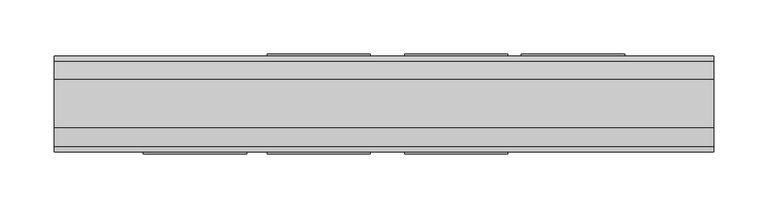
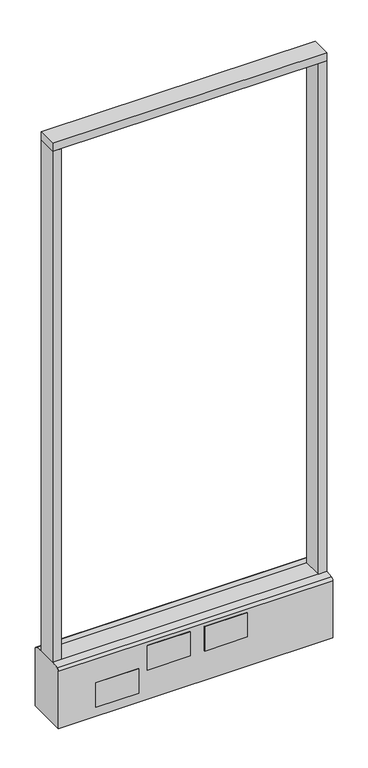
"""IFC4 building model written with IfcOpenShell, lengths in millimetres: furniture geometry."""

import ifcopenshell
import ifcopenshell.guid

model = None  # the IFC model being written
_history = None  # IfcOwnerHistory: only IFC2X3 demands one
_inside = {}  # id of a spatial element -> (the spatial element, [elements in it])
_under = {}  # id of a project, library or spatial element -> (it, [spatial elements below it])
_declared = {}  # id of a project -> (the project, [libraries it declares])
_typed = {}  # id of a type object -> (the type object, [elements of that type])
_made_of = {}  # id of a material, layer set ... -> (it, [elements and type objects made of it])


def new_model(schema):
    """Start an empty IFC model of exactly this schema.

    Asked for "IFC4X3", IfcOpenShell would pick the latest addendum, in which some entities
    have other attributes; the version numbers below select the first issue.
    IFC2X3 requires an IfcOwnerHistory on every rooted entity: one is made here for all.
    """
    global model, _history
    if schema == "IFC4X3":
        model = ifcopenshell.file(schema_version=(4, 3, 0, 0))
    else:
        model = ifcopenshell.file(schema=schema)
    _inside.clear()
    _under.clear()
    _declared.clear()
    _typed.clear()
    _made_of.clear()
    _history = None
    if model.schema == "IFC2X3":
        org = make("IfcOrganization", Name="unknown")
        user = make(
            "IfcPersonAndOrganization",
            ThePerson=make("IfcPerson", FamilyName="unknown"),
            TheOrganization=org,
        )
        app = make(
            "IfcApplication",
            ApplicationDeveloper=org,
            Version="unknown",
            ApplicationFullName="unknown",
            ApplicationIdentifier="unknown",
        )
        _history = make(
            "IfcOwnerHistory",
            OwningUser=user,
            OwningApplication=app,
            ChangeAction="ADDED",
            CreationDate=0,
        )
    return model


def make(cls, **values):
    """One entity of the class cls with the attributes given. An attribute that is None is left unset."""
    return model.create_entity(
        cls, **{name: value for name, value in values.items() if value is not None}
    )


def rooted(cls, **values):
    """An entity with a GlobalId (a new one), such as an element, a storey or a relation."""
    return make(cls, GlobalId=ifcopenshell.guid.new(), OwnerHistory=_history, **values)


def si_unit(unit_type, name, prefix=None):
    """IfcSIUnit, for example si_unit("LENGTHUNIT", "METRE", prefix="MILLI")."""
    return make("IfcSIUnit", UnitType=unit_type, Prefix=prefix, Name=name)


def assignment(units):
    """IfcUnitAssignment: the units of a project."""
    return None if units is None else make("IfcUnitAssignment", Units=units)


def point(xyz):
    """IfcCartesianPoint."""
    return None if xyz is None else make("IfcCartesianPoint", Coordinates=xyz)


def direction(xyz):
    """IfcDirection."""
    return None if xyz is None else make("IfcDirection", DirectionRatios=xyz)


def frame(location, z_axis=None, x_axis=None):
    """IfcAxis2Placement3D, a coordinate frame: its origin and axes. An axis left out is left unset."""
    return make(
        "IfcAxis2Placement3D",
        Location=point(location),
        Axis=direction(z_axis),
        RefDirection=direction(x_axis),
    )


def frame_2d(location, x_axis=None):
    """IfcAxis2Placement2D, a coordinate frame in the plane: its origin and x axis."""
    return make(
        "IfcAxis2Placement2D", Location=point(location), RefDirection=direction(x_axis)
    )


def origin():
    """The frame at (0, 0, 0) with its axes left unset."""
    return frame((0.0, 0.0, 0.0))


def origin_with_axes():
    """The frame at (0, 0, 0) with the z axis (0, 0, 1) and the x axis (1, 0, 0) written out."""
    return frame((0.0, 0.0, 0.0), z_axis=(0.0, 0.0, 1.0), x_axis=(1.0, 0.0, 0.0))


def place(relative_to, where):
    """IfcLocalPlacement: puts the frame where relative to a parent placement (None: the world)."""
    return make(
        "IfcLocalPlacement", PlacementRelTo=relative_to, RelativePlacement=where
    )


def context(
    kind, dimensions, precision=None, world=None, true_north=None, identifier=None
):
    """IfcGeometricRepresentationContext, for example the 3D "Model" context."""
    return make(
        "IfcGeometricRepresentationContext",
        ContextIdentifier=identifier,
        ContextType=kind,
        CoordinateSpaceDimension=dimensions,
        Precision=precision,
        WorldCoordinateSystem=world,
        TrueNorth=true_north,
    )


def project(units=None, contexts=None):
    """IfcProject with its units and contexts."""
    return rooted(
        "IfcProject",
        Name="project",
        RepresentationContexts=contexts,
        UnitsInContext=assignment(units),
    )


def spatial(cls, under=None, at=None, **own):
    """A site, building, storey or space (cls), placed at a placement, below another one or the project."""
    s = rooted(cls, ObjectPlacement=at, **own)
    if under is not None:
        _under.setdefault(under.id(), (under, []))[1].append(s)
    return s


def polyline(points):
    """IfcPolyline through the points."""
    return make("IfcPolyline", Points=[point(p) for p in points])


def circle_curve(where, radius):
    """IfcCircle in the frame where."""
    return make("IfcCircle", Position=where, Radius=radius)


def trimmed(basis, trim1, trim2, sense, master):
    """IfcTrimmedCurve: the piece of a basis curve between two trims."""
    return make(
        "IfcTrimmedCurve",
        BasisCurve=basis,
        Trim1=trim1,
        Trim2=trim2,
        SenseAgreement=sense,
        MasterRepresentation=master,
    )


def segment(curve, same_sense, transition):
    """IfcCompositeCurveSegment."""
    return make(
        "IfcCompositeCurveSegment",
        Transition=transition,
        SameSense=same_sense,
        ParentCurve=curve,
    )


def composite_curve(segments, self_intersect=None):
    """IfcCompositeCurve: segments joined end to end."""
    return make("IfcCompositeCurve", Segments=segments, SelfIntersect=self_intersect)


def outline(outer, holes=None, kind="AREA"):
    """IfcArbitraryClosedProfileDef: a profile drawn as a closed curve; with holes, ...WithVoids."""
    if holes is None:
        return make("IfcArbitraryClosedProfileDef", ProfileType=kind, OuterCurve=outer)
    return make(
        "IfcArbitraryProfileDefWithVoids",
        ProfileType=kind,
        OuterCurve=outer,
        InnerCurves=holes,
    )


def extrude(swept, where, along, depth):
    """IfcExtrudedAreaSolid: the profile swept, set in the frame where, extruded along a direction by depth."""
    return make(
        "IfcExtrudedAreaSolid",
        SweptArea=swept,
        Position=where,
        ExtrudedDirection=direction(along),
        Depth=depth,
    )


def shape(context_of_items, identifier, shape_type, items):
    """IfcShapeRepresentation: the items that make up one representation, for example the "Body"."""
    return make(
        "IfcShapeRepresentation",
        ContextOfItems=context_of_items,
        RepresentationIdentifier=identifier,
        RepresentationType=shape_type,
        Items=items,
    )


def source(mapping_origin, context_of_items, identifier, shape_type, items):
    """IfcRepresentationMap: a shape defined once, which mapped items show again and again."""
    return make(
        "IfcRepresentationMap",
        MappingOrigin=mapping_origin,
        MappedRepresentation=shape(context_of_items, identifier, shape_type, items),
    )


def transform(
    local_origin,
    x_axis=None,
    y_axis=None,
    z_axis=None,
    scale=None,
    scale2=None,
    scale3=None,
    uniform=True,
):
    """IfcCartesianTransformationOperator3D, or its non-uniform kind. x_axis, y_axis, z_axis: its Axis1, 2, 3."""
    if uniform:
        return make(
            "IfcCartesianTransformationOperator3D",
            Axis1=direction(x_axis),
            Axis2=direction(y_axis),
            LocalOrigin=point(local_origin),
            Scale=scale,
            Axis3=direction(z_axis),
        )
    return make(
        "IfcCartesianTransformationOperator3DnonUniform",
        Axis1=direction(x_axis),
        Axis2=direction(y_axis),
        LocalOrigin=point(local_origin),
        Scale=scale,
        Axis3=direction(z_axis),
        Scale2=scale2,
        Scale3=scale3,
    )


def mapped(mapping_source, mapping_target):
    """IfcMappedItem: shows the shape of a source again, moved by a transform."""
    return make(
        "IfcMappedItem", MappingSource=mapping_source, MappingTarget=mapping_target
    )


def made_of(thing, what):
    """Note that an element or type object is made of a material, layer set ...; save() writes the relation."""
    if what is not None:
        _made_of.setdefault(what.id(), (what, []))[1].append(thing)
    return thing


def element(
    cls,
    number,
    at=None,
    inside=None,
    cuts=None,
    type_object=None,
    material=None,
    context=None,
    identifier="Body",
    shape_type=None,
    held_by="IfcProductDefinitionShape",
    body=None,
    shapes=None,
    **own,
):
    """One element of the class cls, such as IfcWall. Its Tag is "e" and its number.

    at: its placement. inside: the storey or other place that contains it. cuts: it is an
    opening in that element (IfcRelVoidsElement). A single representation is given by context,
    identifier, shape_type and body (its items); several are given by shapes. held_by: the class
    of the entity that holds the representations. save() writes the other relations.
    """
    e = rooted(cls, Tag="e%d" % number, ObjectPlacement=at, **own)
    if body is not None:
        shapes = [shape(context, identifier, shape_type, body)]
    if shapes is not None:
        e.Representation = make(held_by, Representations=shapes)
    if inside is not None:
        _inside.setdefault(inside.id(), (inside, []))[1].append(e)
    if cuts is not None:
        rooted(
            "IfcRelVoidsElement", RelatingBuildingElement=cuts, RelatedOpeningElement=e
        )
    if type_object is not None:
        _typed.setdefault(type_object.id(), (type_object, []))[1].append(e)
    return made_of(e, material)


def aggregate(whole, parts):
    """IfcRelAggregates: a whole, such as a stair, and the parts it consists of."""
    return rooted("IfcRelAggregates", RelatingObject=whole, RelatedObjects=parts)


def save(model, path):
    """Write the relations noted so far, then the file.

    IfcRelAggregates (storeys below a building ...), IfcRelContainedInSpatialStructure (elements
    in a storey), IfcRelDefinesByType, IfcRelAssociatesMaterial and IfcRelDeclares: one each for
    every whole, place, type object, material and project.
    """
    for whole, parts in _under.values():
        aggregate(whole, parts)
    for where, things in _inside.values():
        rooted(
            "IfcRelContainedInSpatialStructure",
            RelatedElements=things,
            RelatingStructure=where,
        )
    for kind, things in _typed.values():
        rooted("IfcRelDefinesByType", RelatedObjects=things, RelatingType=kind)
    for what, things in _made_of.values():
        rooted("IfcRelAssociatesMaterial", RelatedObjects=things, RelatingMaterial=what)
    for by, libraries in _declared.values():
        rooted("IfcRelDeclares", RelatingContext=by, RelatedDefinitions=libraries)
    model.write(path)


def furniture_c99d4a0c(model_context):
    return source(origin(), model_context, "Body", "SweptSolid", [
        extrude(outline(polyline([(304.8, -22.225), (-304.8, -22.225), (-304.8, 22.225), (304.8, 22.225), (304.8, -22.225)])), frame((0.0, 0.0, 1352.55), z_axis=(0.0, 0.0, 1.0), x_axis=(1.0, 0.0, 0.0)), (0.0, 0.0, 1.0), 19.05),
        extrude(outline(composite_curve([segment(trimmed(circle_curve(frame_2d((-228.6, 0.0)), 23.415625), [point((-252.015625, 0.0))], [point((-205.184375, 0.0))], False, "CARTESIAN"), True, "CONTINUOUS"), segment(trimmed(circle_curve(frame_2d((-228.6, 0.0)), 23.415625), [point((-205.184375, 0.0))], [point((-252.015625, 0.0))], False, "CARTESIAN"), True, "CONTINUOUS")], self_intersect=False)), origin_with_axes(), (0.0, 0.0, 1.0), 6.35),
        extrude(outline(composite_curve([segment(trimmed(circle_curve(frame_2d((228.6, 0.0)), 23.415625), [point((205.184375, 0.0))], [point((252.015625, 0.0))], False, "CARTESIAN"), True, "CONTINUOUS"), segment(trimmed(circle_curve(frame_2d((228.6, 0.0)), 23.415625), [point((252.015625, 0.0))], [point((205.184375, 0.0))], False, "CARTESIAN"), True, "CONTINUOUS")], self_intersect=False)), origin_with_axes(), (0.0, 0.0, 1.0), 6.35),
        extrude(outline(polyline([(-285.7500091, -22.225), (-304.8, -22.225), (-304.8, 22.225), (-285.7500091, 22.225), (-285.7500091, -22.225)])), frame((0.0, 0.0, 152.4), z_axis=(0.0, 0.0, 1.0), x_axis=(1.0, 0.0, 0.0)), (0.0, 0.0, 1.0), 1200.15),
        extrude(outline(polyline([(304.8, -22.225), (285.7500091, -22.225), (285.7500091, 22.225), (304.8, 22.225), (304.8, -22.225)])), frame((0.0, 0.0, 152.4), z_axis=(0.0, 0.0, 1.0), x_axis=(1.0, 0.0, 0.0)), (0.0, 0.0, 1.0), 1200.15),
        extrude(outline(composite_curve([segment(polyline([(-22.225, 152.4), (22.225, 152.4), (39.43219, 149.94183)]), True, "CONTINUOUS"), segment(trimmed(circle_curve(frame_2d((38.605678, 144.1562464)), 5.844322), [point((39.43219, 149.94183))], [point((44.45, 144.1562464))], False, "CARTESIAN"), True, "CONTINUOUS"), segment(polyline([(44.45, 144.1562464), (44.45, 9.525), (-44.4433083, 9.525), (-44.4433083, 144.1572033)]), True, "CONTINUOUS"), segment(trimmed(circle_curve(frame_2d((-38.5989863, 144.1572033)), 5.844322), [point((-44.4433083, 144.1572033))], [point((-39.4222979, 149.9432432))], False, "CARTESIAN"), True, "CONTINUOUS"), segment(polyline([(-39.4222979, 149.9432432), (-22.225, 152.4)]), True, "CONTINUOUS")], self_intersect=False)), frame((-304.8, 0.0, 0.0), z_axis=(1.0, 0.0, 0.0), x_axis=(0.0, 1.0, 0.0)), (0.0, 0.0, 1.0), 609.6),
        extrude(outline(polyline([(222.25, 44.45), (127.0, 44.45), (127.0, 46.0375), (222.25, 46.0375), (222.25, 44.45)])), frame((0.0, 0.0, 31.75), z_axis=(0.0, 0.0, 1.0), x_axis=(1.0, 0.0, 0.0)), (0.0, 0.0, 1.0), 57.15),
        extrude(outline(polyline([(114.3, 44.45), (19.05, 44.45), (19.05, 46.0375), (114.3, 46.0375), (114.3, 44.45)])), frame((0.0, 0.0, 79.1718), z_axis=(0.0, 0.0, 1.0), x_axis=(1.0, 0.0, 0.0)), (0.0, 0.0, 1.0), 57.15),
        extrude(outline(polyline([(-12.7, 44.45), (-107.95, 44.45), (-107.95, 46.0375), (-12.7, 46.0375), (-12.7, 44.45)])), frame((0.0, 0.0, 79.1718), z_axis=(0.0, 0.0, 1.0), x_axis=(1.0, 0.0, 0.0)), (0.0, 0.0, 1.0), 57.15),
        extrude(outline(polyline([(-127.0, -46.0375), (-222.25, -46.0375), (-222.25, -44.45), (-127.0, -44.45), (-127.0, -46.0375)])), frame((0.0, 0.0, 31.75), z_axis=(0.0, 0.0, 1.0), x_axis=(1.0, 0.0, 0.0)), (0.0, 0.0, 1.0), 57.15),
        extrude(outline(polyline([(114.3, -46.0375), (19.05, -46.0375), (19.05, -44.45), (114.3, -44.45), (114.3, -46.0375)])), frame((0.0, 0.0, 79.1718), z_axis=(0.0, 0.0, 1.0), x_axis=(1.0, 0.0, 0.0)), (0.0, 0.0, 1.0), 57.15),
        extrude(outline(polyline([(-12.7, -46.0375), (-107.95, -46.0375), (-107.95, -44.45), (-12.7, -44.45), (-12.7, -46.0375)])), frame((0.0, 0.0, 79.1718), z_axis=(0.0, 0.0, 1.0), x_axis=(1.0, 0.0, 0.0)), (0.0, 0.0, 1.0), 57.15),
        extrude(outline(composite_curve([segment(trimmed(circle_curve(frame_2d((-228.6, 0.0)), 5.55625), [point((-234.15625, 0.0))], [point((-223.04375, 0.0))], False, "CARTESIAN"), True, "CONTINUOUS"), segment(trimmed(circle_curve(frame_2d((-228.6, 0.0)), 5.55625), [point((-223.04375, 0.0))], [point((-234.15625, 0.0))], False, "CARTESIAN"), True, "CONTINUOUS")], self_intersect=False)), frame((0.0, 0.0, 6.35), z_axis=(0.0, 0.0, 1.0), x_axis=(1.0, 0.0, 0.0)), (0.0, 0.0, 1.0), 3.175),
        extrude(outline(composite_curve([segment(trimmed(circle_curve(frame_2d((228.6, 0.0)), 5.55625), [point((223.04375, 0.0))], [point((234.15625, 0.0))], False, "CARTESIAN"), True, "CONTINUOUS"), segment(trimmed(circle_curve(frame_2d((228.6, 0.0)), 5.55625), [point((234.15625, 0.0))], [point((223.04375, 0.0))], False, "CARTESIAN"), True, "CONTINUOUS")], self_intersect=False)), frame((0.0, 0.0, 6.35), z_axis=(0.0, 0.0, 1.0), x_axis=(1.0, 0.0, 0.0)), (0.0, 0.0, 1.0), 3.175),
    ])


if __name__ == "__main__":
    model = new_model("IFC4")
    model_context = context("Model", 3, world=origin())
    ifc_project = project(units=[si_unit("LENGTHUNIT", "METRE", prefix="MILLI")], contexts=[model_context])
    site = spatial("IfcSite", under=ifc_project)
    building = spatial("IfcBuilding", under=site)
    placement = place(None, origin())
    furniture_shape = furniture_c99d4a0c(model_context)
    element("IfcFurniture", 1, at=placement, inside=building, context=model_context, shape_type="MappedRepresentation", body=[
        mapped(furniture_shape, transform((0.0, 0.0, 0.0), x_axis=(1.0, 0.0, 0.0), y_axis=(0.0, 1.0, 0.0), z_axis=(0.0, 0.0, 1.0))),
    ])
    save(model, "model.ifc")
